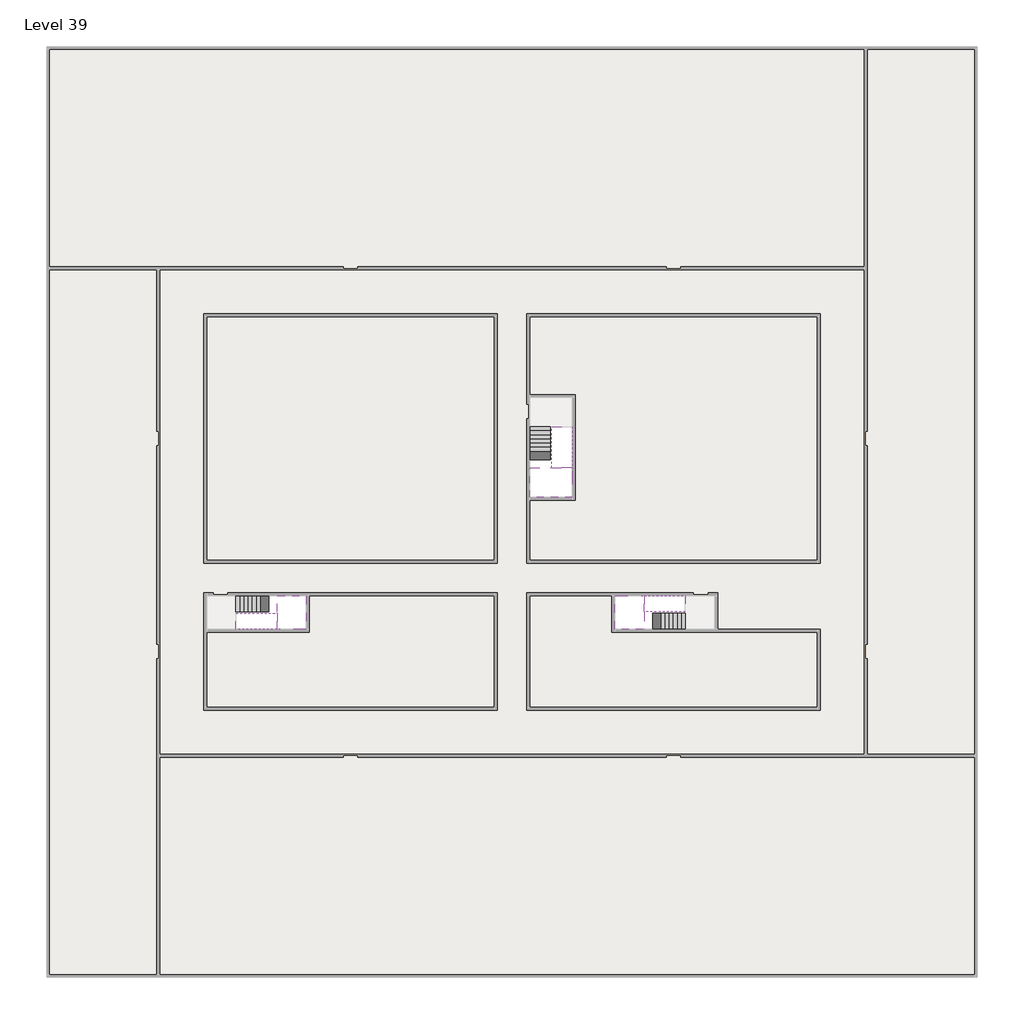
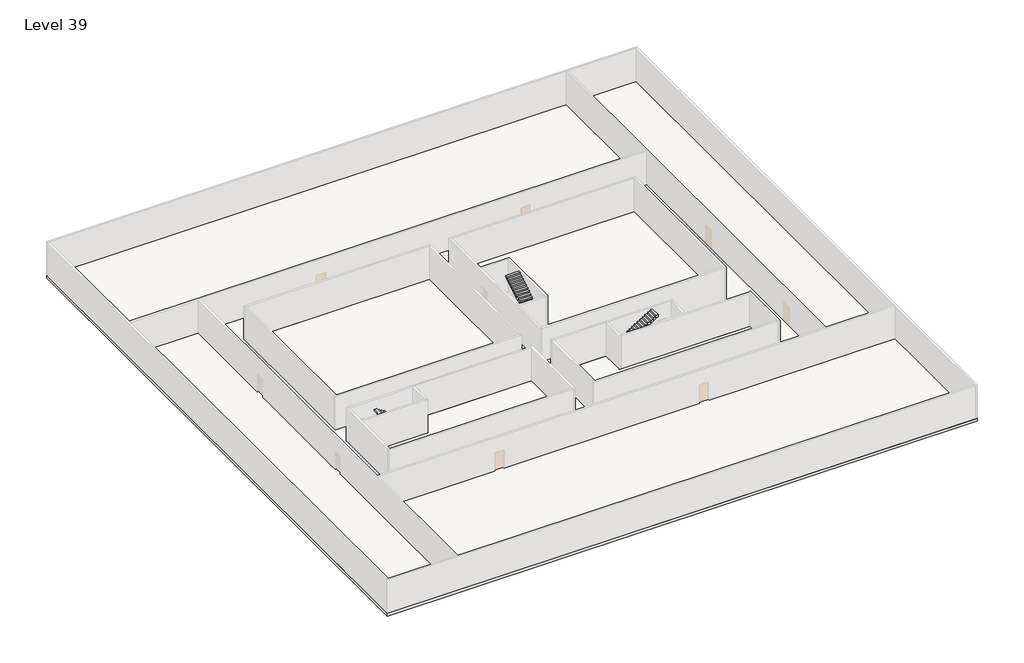
# One storey, part 2 of 2: 6 stair flights, 5 slabs.
"""IFC4 building model written with IfcOpenShell, lengths in millimetres."""

from ifc_helpers import new_model, si_unit, frame, origin, place, context, project, spatial, polyline, outline, extrude, faceted_brep, element, save

model = new_model("IFC4")

# Units and contexts
model_context = context("Model", 3, world=origin())
ifc_project = project(units=[si_unit("LENGTHUNIT", "METRE", prefix="MILLI")], contexts=[model_context])

# Site, building, storey
site = spatial("IfcSite", under=ifc_project)
building = spatial("IfcBuilding", under=site)
storey = spatial("IfcBuildingStorey", under=building, Name="Level 39", Elevation=144400.0)

# Slabs
placement = place(None, origin())
element("IfcSlab", 1, at=placement, inside=storey, context=model_context, shape_type="Brep", body=[
    faceted_brep([(8190.1058784, -42918.09644, 146300.0), (8190.1058784, -44018.09644, 146300.0), (8190.1058784, -44118.09644, 146300.0), (8190.1058784, -45218.09644, 146300.0), (8390.7194421, -45218.09644, 146300.0), (10190.1058784, -45218.09644, 146300.0), (10190.1058784, -42918.09644, 146300.0), (8269.4923146, -42918.09644, 146300.0), (8190.1058784, -42918.09644, 146127.2727273), (8190.1058784, -42918.09644, 145951.0278478), (8190.1058784, -44018.09644, 145951.0278478), (8190.1058784, -44018.09644, 146000.0), (8190.1058784, -44118.09644, 146000.0), (8190.1058784, -44118.09644, 146123.7551205), (8190.1058784, -45218.09644, 146123.7551205), (8390.7194421, -45218.09644, 146000.0), (10190.1058784, -45218.09644, 146000.0), (10190.1058784, -42918.09644, 146000.0), (8269.4923146, -42918.09644, 146000.0), (8390.7194421, -44118.09644, 146000.0), (8269.4923146, -44018.09644, 146000.0)], [[[0, 1, 2, 3, 4, 5, 6, 7]], [[1, 0, 8, 9, 10, 11]], [[2, 1, 11, 12, 13]], [[3, 2, 13, 14]], [[3, 14, 15, 16, 5, 4]], [[6, 5, 16, 17]], [[9, 8, 0, 7, 6, 17, 18]], [[19, 12, 11, 20, 18, 17, 16, 15]], [[12, 19, 13]], [[18, 20, 10, 9]], [[20, 11, 10]], [[19, 15, 14, 13]]]),
])
element("IfcSlab", 2, at=placement, inside=storey, context=model_context, shape_type="Brep", body=[
    faceted_brep([(33190.1058784, -45218.09644, 146300.0), (33190.1058784, -44118.09644, 146300.0), (33190.1058784, -44018.09644, 146300.0), (33190.1058784, -42918.09644, 146300.0), (32989.4923146, -42918.09644, 146300.0), (31190.1058784, -42918.09644, 146300.0), (31190.1058784, -45218.09644, 146300.0), (33110.7194421, -45218.09644, 146300.0), (33190.1058784, -45218.09644, 146127.2727273), (33190.1058784, -45218.09644, 145951.0278478), (33190.1058784, -44118.09644, 145951.0278478), (33190.1058784, -44118.09644, 146000.0), (33190.1058784, -44018.09644, 146000.0), (33190.1058784, -44018.09644, 146123.7551205), (33190.1058784, -42918.09644, 146123.7551205), (32989.4923146, -42918.09644, 146000.0), (31190.1058784, -42918.09644, 146000.0), (31190.1058784, -45218.09644, 146000.0), (33110.7194421, -45218.09644, 146000.0), (32989.4923146, -44018.09644, 146000.0), (33110.7194421, -44118.09644, 146000.0)], [[[0, 1, 2, 3, 4, 5, 6, 7]], [[1, 0, 8, 9, 10, 11]], [[2, 1, 11, 12, 13]], [[3, 2, 13, 14]], [[3, 14, 15, 16, 5, 4]], [[6, 5, 16, 17]], [[9, 8, 0, 7, 6, 17, 18]], [[19, 12, 11, 20, 18, 17, 16, 15]], [[12, 19, 13]], [[18, 20, 10, 9]], [[20, 11, 10]], [[19, 15, 14, 13]]]),
])
element("IfcSlab", 3, at=placement, inside=storey, context=model_context, shape_type="Brep", body=[
    faceted_brep([(26790.1058784, -34218.09644, 146300.0), (25390.1058784, -34218.09644, 146300.0), (25390.1058784, -34297.4828763, 146300.0), (25390.1058784, -36218.09644, 146300.0), (28290.1058784, -36218.09644, 146300.0), (28290.1058784, -34418.7100038, 146300.0), (28290.1058784, -34218.09644, 146300.0), (26890.1058784, -34218.09644, 146300.0), (26790.1058784, -34218.09644, 146000.0), (26790.1058784, -34218.09644, 145951.0278478), (25390.1058784, -34218.09644, 145951.0278478), (25390.1058784, -34218.09644, 146127.2727273), (25390.1058784, -34297.4828763, 146000.0), (25390.1058784, -36218.09644, 146000.0), (28290.1058784, -36218.09644, 146000.0), (28290.1058784, -34418.7100038, 146000.0), (28290.1058784, -34218.09644, 146123.7551205), (26890.1058784, -34218.09644, 146123.7551205), (26890.1058784, -34218.09644, 146000.0), (26890.1058784, -34418.7100038, 146000.0), (26790.1058784, -34297.4828763, 146000.0)], [[[0, 1, 2, 3, 4, 5, 6, 7]], [[1, 0, 8, 9, 10, 11]], [[1, 11, 10, 12, 13, 3, 2]], [[4, 3, 13, 14]], [[4, 14, 15, 16, 6, 5]], [[7, 6, 16, 17]], [[0, 7, 17, 18, 8]], [[18, 19, 15, 14, 13, 12, 20, 8]], [[19, 18, 17]], [[20, 12, 10, 9]], [[8, 20, 9]], [[15, 19, 17, 16]]]),
])
element("IfcSlab", 4, at=placement, inside=storey, context=model_context, shape_type="SweptSolid", body=[
    extrude(outline(polyline([(55890.1058784, -5518.09644), (55890.1058784, -68918.09644), (-7509.8941216, -68918.09644), (-7509.8941216, -5518.09644), (55890.1058784, -5518.09644)]), holes=[polyline([(22990.1058784, -23918.09644), (3390.1058784, -23918.09644), (3390.1058784, -40518.09644), (22990.1058784, -40518.09644), (22990.1058784, -23918.09644)]), polyline([(44990.1058784, -23918.09644), (25390.1058784, -23918.09644), (25390.1058784, -40518.09644), (44990.1058784, -40518.09644), (44990.1058784, -23918.09644)]), polyline([(37990.1058784, -42918.09644), (25390.1058784, -42918.09644), (25390.1058784, -50518.09644), (44990.1058784, -50518.09644), (44990.1058784, -45418.09644), (37990.1058784, -45418.09644), (37990.1058784, -42918.09644)]), polyline([(22990.1058784, -42918.09644), (3390.1058784, -42918.09644), (3390.1058784, -50518.09644), (22990.1058784, -50518.09644), (22990.1058784, -42918.09644)])]), frame((0.0, 0.0, 144100.0), z_axis=(0.0, 0.0, 1.0), x_axis=(1.0, 0.0, 0.0)), (0.0, 0.0, 1.0), 300.0),
])
element("IfcSlab", 5, at=placement, inside=storey, context=model_context, shape_type="SweptSolid", body=[
    extrude(outline(polyline([(22990.1058784, -23918.09644), (22990.1058784, -40518.09644), (3390.1058784, -40518.09644), (3390.1058784, -23918.09644), (22990.1058784, -23918.09644)])), frame((0.0, 0.0, 144100.0), z_axis=(0.0, 0.0, 1.0), x_axis=(1.0, 0.0, 0.0)), (0.0, 0.0, 1.0), 300.0),
    extrude(outline(polyline([(44990.1058784, -23918.09644), (44990.1058784, -40518.09644), (25390.1058784, -40518.09644), (25390.1058784, -36418.09644), (28490.1058784, -36418.09644), (28490.1058784, -29218.09644), (25390.1058784, -29218.09644), (25390.1058784, -23918.09644), (44990.1058784, -23918.09644)])), frame((0.0, 0.0, 144100.0), z_axis=(0.0, 0.0, 1.0), x_axis=(1.0, 0.0, 0.0)), (0.0, 0.0, 1.0), 300.0),
    extrude(outline(polyline([(22990.1058784, -42918.09644), (22990.1058784, -50518.09644), (3390.1058784, -50518.09644), (3390.1058784, -45418.09644), (10390.1058784, -45418.09644), (10390.1058784, -42918.09644), (22990.1058784, -42918.09644)])), frame((0.0, 0.0, 144100.0), z_axis=(0.0, 0.0, 1.0), x_axis=(1.0, 0.0, 0.0)), (0.0, 0.0, 1.0), 300.0),
    extrude(outline(polyline([(30990.1058784, -42918.09644), (30990.1058784, -45418.09644), (44990.1058784, -45418.09644), (44990.1058784, -50518.09644), (25390.1058784, -50518.09644), (25390.1058784, -42918.09644), (30990.1058784, -42918.09644)])), frame((0.0, 0.0, 144100.0), z_axis=(0.0, 0.0, 1.0), x_axis=(1.0, 0.0, 0.0)), (0.0, 0.0, 1.0), 300.0),
])

# Stair flights
element("IfcStairFlight", 6, at=placement, inside=storey, context=model_context, shape_type="Brep", body=[
    faceted_brep([(5670.1058784, -42918.09644, 144572.7272727), (5390.1058784, -42918.09644, 144572.7272727), (5390.1058784, -44018.09644, 144572.7272727), (5670.1058784, -44018.09644, 144572.7272727), (5670.1058784, -42918.09644, 144400.0), (5390.1058784, -42918.09644, 144400.0), (5390.1058784, -44018.09644, 144400.0), (5670.1058784, -44018.09644, 144400.0), (5950.1058784, -42918.09644, 144745.4545455), (5670.1058784, -42918.09644, 144745.4545455), (5670.1058784, -44018.09644, 144745.4545455), (5950.1058784, -44018.09644, 144745.4545455), (5950.1058784, -42918.09644, 144569.209666), (5675.8081041, -42918.09644, 144400.0), (5675.8081041, -44018.09644, 144400.0), (5950.1058784, -44018.09644, 144569.209666), (6230.1058784, -42918.09644, 144918.1818182), (5950.1058784, -42918.09644, 144918.1818182), (5950.1058784, -44018.09644, 144918.1818182), (6230.1058784, -44018.09644, 144918.1818182), (6230.1058784, -42918.09644, 144741.9369387), (6230.1058784, -44018.09644, 144741.9369387), (6510.1058784, -42918.09644, 145090.9090909), (6230.1058784, -42918.09644, 145090.9090909), (6230.1058784, -44018.09644, 145090.9090909), (6510.1058784, -44018.09644, 145090.9090909), (6510.1058784, -42918.09644, 144914.6642114), (6510.1058784, -44018.09644, 144914.6642114), (6790.1058784, -42918.09644, 145263.6363636), (6510.1058784, -42918.09644, 145263.6363636), (6510.1058784, -44018.09644, 145263.6363636), (6790.1058784, -44018.09644, 145263.6363636), (6790.1058784, -42918.09644, 145087.3914841), (6790.1058784, -44018.09644, 145087.3914841), (7070.1058784, -42918.09644, 145436.3636364), (6790.1058784, -42918.09644, 145436.3636364), (6790.1058784, -44018.09644, 145436.3636364), (7070.1058784, -44018.09644, 145436.3636364), (7070.1058784, -42918.09644, 145260.1187569), (7070.1058784, -44018.09644, 145260.1187569), (7350.1058784, -42918.09644, 145609.0909091), (7070.1058784, -42918.09644, 145609.0909091), (7070.1058784, -44018.09644, 145609.0909091), (7350.1058784, -44018.09644, 145609.0909091), (7350.1058784, -42918.09644, 145432.8460296), (7350.1058784, -44018.09644, 145432.8460296), (7630.1058784, -42918.09644, 145781.8181818), (7350.1058784, -42918.09644, 145781.8181818), (7350.1058784, -44018.09644, 145781.8181818), (7630.1058784, -44018.09644, 145781.8181818), (7630.1058784, -42918.09644, 145605.5733023), (7630.1058784, -44018.09644, 145605.5733023), (7910.1058784, -42918.09644, 145954.5454545), (7630.1058784, -42918.09644, 145954.5454545), (7630.1058784, -44018.09644, 145954.5454545), (7910.1058784, -44018.09644, 145954.5454545), (7910.1058784, -42918.09644, 145778.3005751), (7910.1058784, -44018.09644, 145778.3005751), (8190.1058784, -42918.09644, 146127.2727273), (7910.1058784, -42918.09644, 146127.2727273), (7910.1058784, -44018.09644, 146127.2727273), (8190.1058784, -44018.09644, 146127.2727273), (8190.1058784, -42918.09644, 145951.0278478), (8190.1058784, -44018.09644, 145951.0278478), (8190.1058784, -44018.09644, 146000.0)], [[[0, 1, 2, 3]], [[1, 0, 4, 5]], [[2, 1, 5, 6]], [[3, 2, 6, 7]], [[8, 9, 10, 11]], [[4, 0, 9, 8, 12, 13]], [[0, 3, 10, 9]], [[3, 7, 14, 15, 11, 10]], [[16, 17, 18, 19]], [[17, 16, 20, 12, 8]], [[8, 11, 18, 17]], [[19, 18, 11, 15, 21]], [[22, 23, 24, 25]], [[23, 22, 26, 20, 16]], [[16, 19, 24, 23]], [[25, 24, 19, 21, 27]], [[28, 29, 30, 31]], [[29, 28, 32, 26, 22]], [[22, 25, 30, 29]], [[31, 30, 25, 27, 33]], [[34, 35, 36, 37]], [[35, 34, 38, 32, 28]], [[28, 31, 36, 35]], [[37, 36, 31, 33, 39]], [[40, 41, 42, 43]], [[41, 40, 44, 38, 34]], [[34, 37, 42, 41]], [[43, 42, 37, 39, 45]], [[46, 47, 48, 49]], [[47, 46, 50, 44, 40]], [[40, 43, 48, 47]], [[49, 48, 43, 45, 51]], [[52, 53, 54, 55]], [[53, 52, 56, 50, 46]], [[46, 49, 54, 53]], [[55, 54, 49, 51, 57]], [[58, 59, 60, 61]], [[59, 58, 62, 56, 52]], [[52, 55, 60, 59]], [[61, 60, 55, 57, 63, 64]], [[58, 61, 64, 63, 62]], [[5, 4, 13, 14, 7, 6]], [[14, 13, 12, 20, 26, 32, 38, 44, 50, 56, 62, 63, 57, 51, 45, 39, 33, 27, 21, 15]]]),
])
element("IfcStairFlight", 7, at=placement, inside=storey, context=model_context, shape_type="Brep", body=[
    faceted_brep([(7910.1058784, -45218.09644, 146472.7272727), (8190.1058784, -45218.09644, 146472.7272727), (8190.1058784, -44118.09644, 146472.7272727), (7910.1058784, -44118.09644, 146472.7272727), (7910.1058784, -45218.09644, 146296.4823932), (8190.1058784, -45218.09644, 146123.7551205), (8190.1058784, -45218.09644, 146300.0), (8190.1058784, -44118.09644, 146123.7551205), (7910.1058784, -44118.09644, 146296.4823932), (7630.1058784, -45218.09644, 146645.4545455), (7910.1058784, -45218.09644, 146645.4545455), (7910.1058784, -44118.09644, 146645.4545455), (7630.1058784, -44118.09644, 146645.4545455), (7630.1058784, -45218.09644, 146469.209666), (7630.1058784, -44118.09644, 146469.209666), (7350.1058784, -45218.09644, 146818.1818182), (7630.1058784, -45218.09644, 146818.1818182), (7630.1058784, -44118.09644, 146818.1818182), (7350.1058784, -44118.09644, 146818.1818182), (7350.1058784, -45218.09644, 146641.9369387), (7350.1058784, -44118.09644, 146641.9369387), (7070.1058784, -45218.09644, 146990.9090909), (7350.1058784, -45218.09644, 146990.9090909), (7350.1058784, -44118.09644, 146990.9090909), (7070.1058784, -44118.09644, 146990.9090909), (7070.1058784, -45218.09644, 146814.6642114), (7070.1058784, -44118.09644, 146814.6642114), (6790.1058784, -45218.09644, 147163.6363636), (7070.1058784, -45218.09644, 147163.6363636), (7070.1058784, -44118.09644, 147163.6363636), (6790.1058784, -44118.09644, 147163.6363636), (6790.1058784, -45218.09644, 146987.3914841), (6790.1058784, -44118.09644, 146987.3914841), (6510.1058784, -45218.09644, 147336.3636364), (6790.1058784, -45218.09644, 147336.3636364), (6790.1058784, -44118.09644, 147336.3636364), (6510.1058784, -44118.09644, 147336.3636364), (6510.1058784, -45218.09644, 147160.1187569), (6510.1058784, -44118.09644, 147160.1187569), (6230.1058784, -45218.09644, 147509.0909091), (6510.1058784, -45218.09644, 147509.0909091), (6510.1058784, -44118.09644, 147509.0909091), (6230.1058784, -44118.09644, 147509.0909091), (6230.1058784, -45218.09644, 147332.8460296), (6230.1058784, -44118.09644, 147332.8460296), (5950.1058784, -45218.09644, 147681.8181818), (6230.1058784, -45218.09644, 147681.8181818), (6230.1058784, -44118.09644, 147681.8181818), (5950.1058784, -44118.09644, 147681.8181818), (5950.1058784, -45218.09644, 147505.5733023), (5950.1058784, -44118.09644, 147505.5733023), (5670.1058784, -45218.09644, 147854.5454545), (5950.1058784, -45218.09644, 147854.5454545), (5950.1058784, -44118.09644, 147854.5454545), (5670.1058784, -44118.09644, 147854.5454545), (5670.1058784, -45218.09644, 147678.3005751), (5670.1058784, -44118.09644, 147678.3005751), (5390.1058784, -45218.09644, 148027.2727273), (5670.1058784, -45218.09644, 148027.2727273), (5670.1058784, -44118.09644, 148027.2727273), (5390.1058784, -44118.09644, 148027.2727273), (5390.1058784, -45218.09644, 147851.0278478), (5390.1058784, -44118.09644, 147851.0278478)], [[[0, 1, 2, 3]], [[1, 0, 4, 5, 6]], [[2, 1, 6, 5, 7]], [[3, 2, 7, 8]], [[9, 10, 11, 12]], [[10, 9, 13, 4, 0]], [[11, 10, 0, 3]], [[12, 11, 3, 8, 14]], [[15, 16, 17, 18]], [[16, 15, 19, 13, 9]], [[17, 16, 9, 12]], [[18, 17, 12, 14, 20]], [[21, 22, 23, 24]], [[22, 21, 25, 19, 15]], [[23, 22, 15, 18]], [[24, 23, 18, 20, 26]], [[27, 28, 29, 30]], [[28, 27, 31, 25, 21]], [[29, 28, 21, 24]], [[30, 29, 24, 26, 32]], [[33, 34, 35, 36]], [[34, 33, 37, 31, 27]], [[35, 34, 27, 30]], [[36, 35, 30, 32, 38]], [[39, 40, 41, 42]], [[40, 39, 43, 37, 33]], [[41, 40, 33, 36]], [[42, 41, 36, 38, 44]], [[45, 46, 47, 48]], [[46, 45, 49, 43, 39]], [[47, 46, 39, 42]], [[48, 47, 42, 44, 50]], [[51, 52, 53, 54]], [[52, 51, 55, 49, 45]], [[53, 52, 45, 48]], [[54, 53, 48, 50, 56]], [[57, 58, 59, 60]], [[58, 57, 61, 55, 51]], [[59, 58, 51, 54]], [[60, 59, 54, 56, 62]], [[57, 60, 62, 61]], [[5, 4, 13, 19, 25, 31, 37, 43, 49, 55, 61, 62, 56, 50, 44, 38, 32, 26, 20, 14, 8, 7]]]),
])
element("IfcStairFlight", 8, at=placement, inside=storey, context=model_context, shape_type="Brep", body=[
    faceted_brep([(35710.1058784, -45218.09644, 144572.7272727), (35990.1058784, -45218.09644, 144572.7272727), (35990.1058784, -44118.09644, 144572.7272727), (35710.1058784, -44118.09644, 144572.7272727), (35710.1058784, -45218.09644, 144400.0), (35990.1058784, -45218.09644, 144400.0), (35990.1058784, -44118.09644, 144400.0), (35710.1058784, -44118.09644, 144400.0), (35430.1058784, -45218.09644, 144745.4545455), (35710.1058784, -45218.09644, 144745.4545455), (35710.1058784, -44118.09644, 144745.4545455), (35430.1058784, -44118.09644, 144745.4545455), (35430.1058784, -45218.09644, 144569.209666), (35704.4036527, -45218.09644, 144400.0), (35704.4036527, -44118.09644, 144400.0), (35430.1058784, -44118.09644, 144569.209666), (35150.1058784, -45218.09644, 144918.1818182), (35430.1058784, -45218.09644, 144918.1818182), (35430.1058784, -44118.09644, 144918.1818182), (35150.1058784, -44118.09644, 144918.1818182), (35150.1058784, -45218.09644, 144741.9369387), (35150.1058784, -44118.09644, 144741.9369387), (34870.1058784, -45218.09644, 145090.9090909), (35150.1058784, -45218.09644, 145090.9090909), (35150.1058784, -44118.09644, 145090.9090909), (34870.1058784, -44118.09644, 145090.9090909), (34870.1058784, -45218.09644, 144914.6642114), (34870.1058784, -44118.09644, 144914.6642114), (34590.1058784, -45218.09644, 145263.6363636), (34870.1058784, -45218.09644, 145263.6363636), (34870.1058784, -44118.09644, 145263.6363636), (34590.1058784, -44118.09644, 145263.6363636), (34590.1058784, -45218.09644, 145087.3914841), (34590.1058784, -44118.09644, 145087.3914841), (34310.1058784, -45218.09644, 145436.3636364), (34590.1058784, -45218.09644, 145436.3636364), (34590.1058784, -44118.09644, 145436.3636364), (34310.1058784, -44118.09644, 145436.3636364), (34310.1058784, -45218.09644, 145260.1187569), (34310.1058784, -44118.09644, 145260.1187569), (34030.1058784, -45218.09644, 145609.0909091), (34310.1058784, -45218.09644, 145609.0909091), (34310.1058784, -44118.09644, 145609.0909091), (34030.1058784, -44118.09644, 145609.0909091), (34030.1058784, -45218.09644, 145432.8460296), (34030.1058784, -44118.09644, 145432.8460296), (33750.1058784, -45218.09644, 145781.8181818), (34030.1058784, -45218.09644, 145781.8181818), (34030.1058784, -44118.09644, 145781.8181818), (33750.1058784, -44118.09644, 145781.8181818), (33750.1058784, -45218.09644, 145605.5733023), (33750.1058784, -44118.09644, 145605.5733023), (33470.1058784, -45218.09644, 145954.5454545), (33750.1058784, -45218.09644, 145954.5454545), (33750.1058784, -44118.09644, 145954.5454545), (33470.1058784, -44118.09644, 145954.5454545), (33470.1058784, -45218.09644, 145778.3005751), (33470.1058784, -44118.09644, 145778.3005751), (33190.1058784, -45218.09644, 146127.2727273), (33470.1058784, -45218.09644, 146127.2727273), (33470.1058784, -44118.09644, 146127.2727273), (33190.1058784, -44118.09644, 146127.2727273), (33190.1058784, -45218.09644, 145951.0278478), (33190.1058784, -44118.09644, 145951.0278478), (33190.1058784, -44118.09644, 146000.0)], [[[0, 1, 2, 3]], [[1, 0, 4, 5]], [[2, 1, 5, 6]], [[3, 2, 6, 7]], [[8, 9, 10, 11]], [[4, 0, 9, 8, 12, 13]], [[0, 3, 10, 9]], [[3, 7, 14, 15, 11, 10]], [[16, 17, 18, 19]], [[17, 16, 20, 12, 8]], [[8, 11, 18, 17]], [[19, 18, 11, 15, 21]], [[22, 23, 24, 25]], [[23, 22, 26, 20, 16]], [[16, 19, 24, 23]], [[25, 24, 19, 21, 27]], [[28, 29, 30, 31]], [[29, 28, 32, 26, 22]], [[22, 25, 30, 29]], [[31, 30, 25, 27, 33]], [[34, 35, 36, 37]], [[35, 34, 38, 32, 28]], [[28, 31, 36, 35]], [[37, 36, 31, 33, 39]], [[40, 41, 42, 43]], [[41, 40, 44, 38, 34]], [[34, 37, 42, 41]], [[43, 42, 37, 39, 45]], [[46, 47, 48, 49]], [[47, 46, 50, 44, 40]], [[40, 43, 48, 47]], [[49, 48, 43, 45, 51]], [[52, 53, 54, 55]], [[53, 52, 56, 50, 46]], [[46, 49, 54, 53]], [[55, 54, 49, 51, 57]], [[58, 59, 60, 61]], [[59, 58, 62, 56, 52]], [[52, 55, 60, 59]], [[61, 60, 55, 57, 63, 64]], [[58, 61, 64, 63, 62]], [[5, 4, 13, 14, 7, 6]], [[14, 13, 12, 20, 26, 32, 38, 44, 50, 56, 62, 63, 57, 51, 45, 39, 33, 27, 21, 15]]]),
])
element("IfcStairFlight", 9, at=placement, inside=storey, context=model_context, shape_type="Brep", body=[
    faceted_brep([(33470.1058784, -42918.09644, 146472.7272727), (33190.1058784, -42918.09644, 146472.7272727), (33190.1058784, -44018.09644, 146472.7272727), (33470.1058784, -44018.09644, 146472.7272727), (33470.1058784, -42918.09644, 146296.4823932), (33190.1058784, -42918.09644, 146123.7551205), (33190.1058784, -42918.09644, 146300.0), (33190.1058784, -44018.09644, 146123.7551205), (33470.1058784, -44018.09644, 146296.4823932), (33750.1058784, -42918.09644, 146645.4545455), (33470.1058784, -42918.09644, 146645.4545455), (33470.1058784, -44018.09644, 146645.4545455), (33750.1058784, -44018.09644, 146645.4545455), (33750.1058784, -42918.09644, 146469.209666), (33750.1058784, -44018.09644, 146469.209666), (34030.1058784, -42918.09644, 146818.1818182), (33750.1058784, -42918.09644, 146818.1818182), (33750.1058784, -44018.09644, 146818.1818182), (34030.1058784, -44018.09644, 146818.1818182), (34030.1058784, -42918.09644, 146641.9369387), (34030.1058784, -44018.09644, 146641.9369387), (34310.1058784, -42918.09644, 146990.9090909), (34030.1058784, -42918.09644, 146990.9090909), (34030.1058784, -44018.09644, 146990.9090909), (34310.1058784, -44018.09644, 146990.9090909), (34310.1058784, -42918.09644, 146814.6642114), (34310.1058784, -44018.09644, 146814.6642114), (34590.1058784, -42918.09644, 147163.6363636), (34310.1058784, -42918.09644, 147163.6363636), (34310.1058784, -44018.09644, 147163.6363636), (34590.1058784, -44018.09644, 147163.6363636), (34590.1058784, -42918.09644, 146987.3914841), (34590.1058784, -44018.09644, 146987.3914841), (34870.1058784, -42918.09644, 147336.3636364), (34590.1058784, -42918.09644, 147336.3636364), (34590.1058784, -44018.09644, 147336.3636364), (34870.1058784, -44018.09644, 147336.3636364), (34870.1058784, -42918.09644, 147160.1187569), (34870.1058784, -44018.09644, 147160.1187569), (35150.1058784, -42918.09644, 147509.0909091), (34870.1058784, -42918.09644, 147509.0909091), (34870.1058784, -44018.09644, 147509.0909091), (35150.1058784, -44018.09644, 147509.0909091), (35150.1058784, -42918.09644, 147332.8460296), (35150.1058784, -44018.09644, 147332.8460296), (35430.1058784, -42918.09644, 147681.8181818), (35150.1058784, -42918.09644, 147681.8181818), (35150.1058784, -44018.09644, 147681.8181818), (35430.1058784, -44018.09644, 147681.8181818), (35430.1058784, -42918.09644, 147505.5733023), (35430.1058784, -44018.09644, 147505.5733023), (35710.1058784, -42918.09644, 147854.5454545), (35430.1058784, -42918.09644, 147854.5454545), (35430.1058784, -44018.09644, 147854.5454545), (35710.1058784, -44018.09644, 147854.5454545), (35710.1058784, -42918.09644, 147678.3005751), (35710.1058784, -44018.09644, 147678.3005751), (35990.1058784, -42918.09644, 148027.2727273), (35710.1058784, -42918.09644, 148027.2727273), (35710.1058784, -44018.09644, 148027.2727273), (35990.1058784, -44018.09644, 148027.2727273), (35990.1058784, -42918.09644, 147851.0278478), (35990.1058784, -44018.09644, 147851.0278478)], [[[0, 1, 2, 3]], [[1, 0, 4, 5, 6]], [[2, 1, 6, 5, 7]], [[3, 2, 7, 8]], [[9, 10, 11, 12]], [[10, 9, 13, 4, 0]], [[11, 10, 0, 3]], [[12, 11, 3, 8, 14]], [[15, 16, 17, 18]], [[16, 15, 19, 13, 9]], [[17, 16, 9, 12]], [[18, 17, 12, 14, 20]], [[21, 22, 23, 24]], [[22, 21, 25, 19, 15]], [[23, 22, 15, 18]], [[24, 23, 18, 20, 26]], [[27, 28, 29, 30]], [[28, 27, 31, 25, 21]], [[29, 28, 21, 24]], [[30, 29, 24, 26, 32]], [[33, 34, 35, 36]], [[34, 33, 37, 31, 27]], [[35, 34, 27, 30]], [[36, 35, 30, 32, 38]], [[39, 40, 41, 42]], [[40, 39, 43, 37, 33]], [[41, 40, 33, 36]], [[42, 41, 36, 38, 44]], [[45, 46, 47, 48]], [[46, 45, 49, 43, 39]], [[47, 46, 39, 42]], [[48, 47, 42, 44, 50]], [[51, 52, 53, 54]], [[52, 51, 55, 49, 45]], [[53, 52, 45, 48]], [[54, 53, 48, 50, 56]], [[57, 58, 59, 60]], [[58, 57, 61, 55, 51]], [[59, 58, 51, 54]], [[60, 59, 54, 56, 62]], [[57, 60, 62, 61]], [[5, 4, 13, 19, 25, 31, 37, 43, 49, 55, 61, 62, 56, 50, 44, 38, 32, 26, 20, 14, 8, 7]]]),
])
element("IfcStairFlight", 10, at=placement, inside=storey, context=model_context, shape_type="Brep", body=[
    faceted_brep([(26790.1058784, -31698.09644, 144572.7272727), (26790.1058784, -31418.09644, 144572.7272727), (25390.1058784, -31418.09644, 144572.7272727), (25390.1058784, -31698.09644, 144572.7272727), (26790.1058784, -31698.09644, 144400.0), (26790.1058784, -31418.09644, 144400.0), (25390.1058784, -31418.09644, 144400.0), (25390.1058784, -31698.09644, 144400.0), (26790.1058784, -31978.09644, 144745.4545455), (26790.1058784, -31698.09644, 144745.4545455), (25390.1058784, -31698.09644, 144745.4545455), (25390.1058784, -31978.09644, 144745.4545455), (26790.1058784, -31978.09644, 144569.209666), (26790.1058784, -31703.7986657, 144400.0), (25390.1058784, -31703.7986657, 144400.0), (25390.1058784, -31978.09644, 144569.209666), (26790.1058784, -32258.09644, 144918.1818182), (26790.1058784, -31978.09644, 144918.1818182), (25390.1058784, -31978.09644, 144918.1818182), (25390.1058784, -32258.09644, 144918.1818182), (26790.1058784, -32258.09644, 144741.9369387), (25390.1058784, -32258.09644, 144741.9369387), (26790.1058784, -32538.09644, 145090.9090909), (26790.1058784, -32258.09644, 145090.9090909), (25390.1058784, -32258.09644, 145090.9090909), (25390.1058784, -32538.09644, 145090.9090909), (26790.1058784, -32538.09644, 144914.6642114), (25390.1058784, -32538.09644, 144914.6642114), (26790.1058784, -32818.09644, 145263.6363636), (26790.1058784, -32538.09644, 145263.6363636), (25390.1058784, -32538.09644, 145263.6363636), (25390.1058784, -32818.09644, 145263.6363636), (26790.1058784, -32818.09644, 145087.3914841), (25390.1058784, -32818.09644, 145087.3914841), (26790.1058784, -33098.09644, 145436.3636364), (26790.1058784, -32818.09644, 145436.3636364), (25390.1058784, -32818.09644, 145436.3636364), (25390.1058784, -33098.09644, 145436.3636364), (26790.1058784, -33098.09644, 145260.1187569), (25390.1058784, -33098.09644, 145260.1187569), (26790.1058784, -33378.09644, 145609.0909091), (26790.1058784, -33098.09644, 145609.0909091), (25390.1058784, -33098.09644, 145609.0909091), (25390.1058784, -33378.09644, 145609.0909091), (26790.1058784, -33378.09644, 145432.8460296), (25390.1058784, -33378.09644, 145432.8460296), (26790.1058784, -33658.09644, 145781.8181818), (26790.1058784, -33378.09644, 145781.8181818), (25390.1058784, -33378.09644, 145781.8181818), (25390.1058784, -33658.09644, 145781.8181818), (26790.1058784, -33658.09644, 145605.5733023), (25390.1058784, -33658.09644, 145605.5733023), (26790.1058784, -33938.09644, 145954.5454545), (26790.1058784, -33658.09644, 145954.5454545), (25390.1058784, -33658.09644, 145954.5454545), (25390.1058784, -33938.09644, 145954.5454545), (26790.1058784, -33938.09644, 145778.3005751), (25390.1058784, -33938.09644, 145778.3005751), (26790.1058784, -34218.09644, 146127.2727273), (26790.1058784, -33938.09644, 146127.2727273), (25390.1058784, -33938.09644, 146127.2727273), (25390.1058784, -34218.09644, 146127.2727273), (26790.1058784, -34218.09644, 146000.0), (26790.1058784, -34218.09644, 145951.0278478), (25390.1058784, -34218.09644, 145951.0278478)], [[[0, 1, 2, 3]], [[1, 0, 4, 5]], [[2, 1, 5, 6]], [[3, 2, 6, 7]], [[8, 9, 10, 11]], [[4, 0, 9, 8, 12, 13]], [[0, 3, 10, 9]], [[3, 7, 14, 15, 11, 10]], [[16, 17, 18, 19]], [[17, 16, 20, 12, 8]], [[8, 11, 18, 17]], [[19, 18, 11, 15, 21]], [[22, 23, 24, 25]], [[23, 22, 26, 20, 16]], [[16, 19, 24, 23]], [[25, 24, 19, 21, 27]], [[28, 29, 30, 31]], [[29, 28, 32, 26, 22]], [[22, 25, 30, 29]], [[31, 30, 25, 27, 33]], [[34, 35, 36, 37]], [[35, 34, 38, 32, 28]], [[28, 31, 36, 35]], [[37, 36, 31, 33, 39]], [[40, 41, 42, 43]], [[41, 40, 44, 38, 34]], [[34, 37, 42, 41]], [[43, 42, 37, 39, 45]], [[46, 47, 48, 49]], [[47, 46, 50, 44, 40]], [[40, 43, 48, 47]], [[49, 48, 43, 45, 51]], [[52, 53, 54, 55]], [[53, 52, 56, 50, 46]], [[46, 49, 54, 53]], [[55, 54, 49, 51, 57]], [[58, 59, 60, 61]], [[59, 58, 62, 63, 56, 52]], [[52, 55, 60, 59]], [[61, 60, 55, 57, 64]], [[58, 61, 64, 63, 62]], [[5, 4, 13, 14, 7, 6]], [[14, 13, 12, 20, 26, 32, 38, 44, 50, 56, 63, 64, 57, 51, 45, 39, 33, 27, 21, 15]]]),
])
element("IfcStairFlight", 11, at=placement, inside=storey, context=model_context, shape_type="Brep", body=[
    faceted_brep([(26890.1058784, -33938.09644, 146472.7272727), (26890.1058784, -34218.09644, 146472.7272727), (28290.1058784, -34218.09644, 146472.7272727), (28290.1058784, -33938.09644, 146472.7272727), (26890.1058784, -33938.09644, 146296.4823932), (26890.1058784, -34218.09644, 146123.7551205), (28290.1058784, -34218.09644, 146123.7551205), (28290.1058784, -34218.09644, 146300.0), (28290.1058784, -33938.09644, 146296.4823932), (26890.1058784, -33658.09644, 146645.4545455), (26890.1058784, -33938.09644, 146645.4545455), (28290.1058784, -33938.09644, 146645.4545455), (28290.1058784, -33658.09644, 146645.4545455), (26890.1058784, -33658.09644, 146469.209666), (28290.1058784, -33658.09644, 146469.209666), (26890.1058784, -33378.09644, 146818.1818182), (26890.1058784, -33658.09644, 146818.1818182), (28290.1058784, -33658.09644, 146818.1818182), (28290.1058784, -33378.09644, 146818.1818182), (26890.1058784, -33378.09644, 146641.9369387), (28290.1058784, -33378.09644, 146641.9369387), (26890.1058784, -33098.09644, 146990.9090909), (26890.1058784, -33378.09644, 146990.9090909), (28290.1058784, -33378.09644, 146990.9090909), (28290.1058784, -33098.09644, 146990.9090909), (26890.1058784, -33098.09644, 146814.6642114), (28290.1058784, -33098.09644, 146814.6642114), (26890.1058784, -32818.09644, 147163.6363636), (26890.1058784, -33098.09644, 147163.6363636), (28290.1058784, -33098.09644, 147163.6363636), (28290.1058784, -32818.09644, 147163.6363636), (26890.1058784, -32818.09644, 146987.3914841), (28290.1058784, -32818.09644, 146987.3914841), (26890.1058784, -32538.09644, 147336.3636364), (26890.1058784, -32818.09644, 147336.3636364), (28290.1058784, -32818.09644, 147336.3636364), (28290.1058784, -32538.09644, 147336.3636364), (26890.1058784, -32538.09644, 147160.1187569), (28290.1058784, -32538.09644, 147160.1187569), (26890.1058784, -32258.09644, 147509.0909091), (26890.1058784, -32538.09644, 147509.0909091), (28290.1058784, -32538.09644, 147509.0909091), (28290.1058784, -32258.09644, 147509.0909091), (26890.1058784, -32258.09644, 147332.8460296), (28290.1058784, -32258.09644, 147332.8460296), (26890.1058784, -31978.09644, 147681.8181818), (26890.1058784, -32258.09644, 147681.8181818), (28290.1058784, -32258.09644, 147681.8181818), (28290.1058784, -31978.09644, 147681.8181818), (26890.1058784, -31978.09644, 147505.5733023), (28290.1058784, -31978.09644, 147505.5733023), (26890.1058784, -31698.09644, 147854.5454545), (26890.1058784, -31978.09644, 147854.5454545), (28290.1058784, -31978.09644, 147854.5454545), (28290.1058784, -31698.09644, 147854.5454545), (26890.1058784, -31698.09644, 147678.3005751), (28290.1058784, -31698.09644, 147678.3005751), (26890.1058784, -31418.09644, 148027.2727273), (26890.1058784, -31698.09644, 148027.2727273), (28290.1058784, -31698.09644, 148027.2727273), (28290.1058784, -31418.09644, 148027.2727273), (26890.1058784, -31418.09644, 147851.0278478), (28290.1058784, -31418.09644, 147851.0278478)], [[[0, 1, 2, 3]], [[1, 0, 4, 5]], [[2, 1, 5, 6, 7]], [[3, 2, 7, 6, 8]], [[9, 10, 11, 12]], [[10, 9, 13, 4, 0]], [[11, 10, 0, 3]], [[12, 11, 3, 8, 14]], [[15, 16, 17, 18]], [[16, 15, 19, 13, 9]], [[17, 16, 9, 12]], [[18, 17, 12, 14, 20]], [[21, 22, 23, 24]], [[22, 21, 25, 19, 15]], [[23, 22, 15, 18]], [[24, 23, 18, 20, 26]], [[27, 28, 29, 30]], [[28, 27, 31, 25, 21]], [[29, 28, 21, 24]], [[30, 29, 24, 26, 32]], [[33, 34, 35, 36]], [[34, 33, 37, 31, 27]], [[35, 34, 27, 30]], [[36, 35, 30, 32, 38]], [[39, 40, 41, 42]], [[40, 39, 43, 37, 33]], [[41, 40, 33, 36]], [[42, 41, 36, 38, 44]], [[45, 46, 47, 48]], [[46, 45, 49, 43, 39]], [[47, 46, 39, 42]], [[48, 47, 42, 44, 50]], [[51, 52, 53, 54]], [[52, 51, 55, 49, 45]], [[53, 52, 45, 48]], [[54, 53, 48, 50, 56]], [[57, 58, 59, 60]], [[58, 57, 61, 55, 51]], [[59, 58, 51, 54]], [[60, 59, 54, 56, 62]], [[57, 60, 62, 61]], [[5, 4, 13, 19, 25, 31, 37, 43, 49, 55, 61, 62, 56, 50, 44, 38, 32, 26, 20, 14, 8, 6]]]),
])

save(model, "model.ifc")
